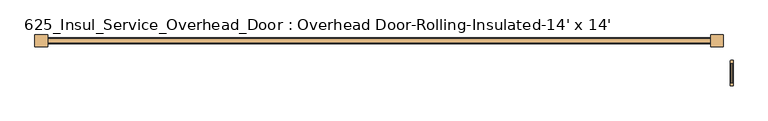
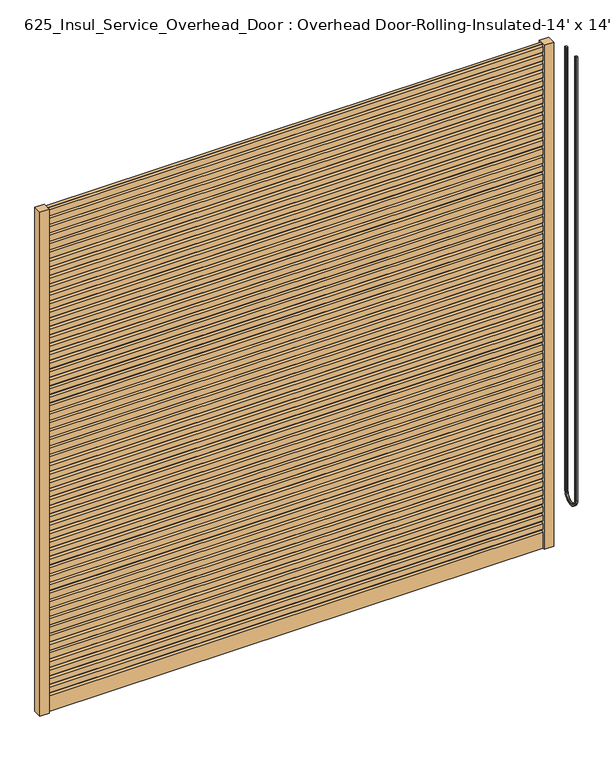
"""IFC4 building model written with IfcOpenShell, lengths in millimetres: door geometry, 625_Insul_Service_Overhead_Door : Overhead Door-Rolling-Insulated-14' x 14'."""

from ifc_helpers import new_model, si_unit, point, frame, origin, origin_with_axes, place, context, project, spatial, polyline, circle_curve, ellipse_curve, trimmed, outline, extrude, source, transform, mapped, element, save
from ifc_brep_helpers import plane_surface, cylinder_surface, revolved_surface, advanced_brep


def door_625_insul_service_overhead_door_overhead_door_rolling_83a25e8f(model_context):
    return source(origin(), model_context, "Body", "SolidModel", [
        advanced_brep(
        [(3792.5375, -1223.6880768, 4267.2), (3790.95, -1222.1005768, 4267.2), (3778.25, -1222.1005768, 4267.2), (3776.6625, -1223.6880768, 4267.2), (3776.6625, -1236.3880768, 4267.2), (3778.25, -1237.9755768, 4267.2), (3790.95, -1237.9755768, 4267.2), (3792.5375, -1236.3880768, 4267.2), (3792.5375, -1223.6880768, 508.0), (3790.95, -1222.1005768, 508.0), (3778.25, -1222.1005768, 508.0), (3776.6625, -1223.6880768, 508.0), (3776.6625, -1099.8630768, 508.0), (3776.6625, -1099.8630768, 4267.2), (3776.6625, -1087.1630768, 4267.2), (3776.6625, -1087.1630768, 508.0), (3776.6625, -1236.3880768, 508.0), (3778.25, -1237.9755768, 508.0), (3790.95, -1237.9755768, 508.0), (3792.5375, -1236.3880768, 508.0), (3792.5375, -1087.1630768, 508.0), (3792.5375, -1087.1630768, 4267.2), (3792.5375, -1099.8630768, 4267.2), (3792.5375, -1099.8630768, 508.0), (3790.95, -1101.4505768, 508.0), (3778.25, -1101.4505768, 508.0), (3778.25, -1085.5755768, 508.0), (3790.95, -1085.5755768, 508.0), (3790.95, -1085.5755768, 4267.2), (3778.25, -1085.5755768, 4267.2), (3778.25, -1101.4505768, 4267.2), (3790.95, -1101.4505768, 4267.2)],
        [
            (0, 1, circle_curve(frame((3790.95, -1223.6880768, 4267.2), z_axis=(0.0, 0.0, 1.0), x_axis=(0.0, -1.0, 0.0)), 1.5875)),
            (1, 2),
            (2, 3, circle_curve(frame((3778.25, -1223.6880768, 4267.2), z_axis=(0.0, 0.0, 1.0), x_axis=(0.0, -1.0, 0.0)), 1.5875)),
            (3, 4),
            (4, 5, circle_curve(frame((3778.25, -1236.3880768, 4267.2), z_axis=(0.0, 0.0, 1.0), x_axis=(0.0, -1.0, 0.0)), 1.5875)),
            (5, 6),
            (6, 7, circle_curve(frame((3790.95, -1236.3880768, 4267.2), z_axis=(0.0, 0.0, 1.0), x_axis=(0.0, -1.0, 0.0)), 1.5875)),
            (7, 0),
            (0, 8),
            (8, 9, circle_curve(frame((3790.95, -1223.6880768, 508.0), z_axis=(0.0, 0.0, 1.0), x_axis=(0.0, -1.0, 0.0)), 1.5875)),
            (9, 1),
            (9, 10),
            (10, 2),
            (10, 11, circle_curve(frame((3778.25, -1223.6880768, 508.0), z_axis=(0.0, 0.0, 1.0), x_axis=(0.0, -1.0, 0.0)), 1.5875)),
            (11, 3),
            (11, 12, circle_curve(frame((3776.6625, -1161.7755768, 508.0), z_axis=(1.0, 0.0, 0.0), x_axis=(0.0, -1.0, 0.0)), 61.9125)),
            (12, 13),
            (13, 14),
            (14, 15),
            (15, 16, circle_curve(frame((3776.6625, -1161.7755768, 508.0), z_axis=(-1.0, 0.0, 0.0), x_axis=(0.0, -1.0, 0.0)), 74.6125)),
            (16, 4),
            (16, 17, circle_curve(frame((3778.25, -1236.3880768, 508.0), z_axis=(0.0, 0.0, 1.0), x_axis=(0.0, -1.0, 0.0)), 1.5875)),
            (17, 5),
            (17, 18),
            (18, 6),
            (18, 19, circle_curve(frame((3790.95, -1236.3880768, 508.0), z_axis=(0.0, 0.0, 1.0), x_axis=(0.0, -1.0, 0.0)), 1.5875)),
            (19, 7),
            (19, 20, circle_curve(frame((3792.5375, -1161.7755768, 508.0), z_axis=(1.0, 0.0, 0.0), x_axis=(0.0, -1.0, 0.0)), 74.6125)),
            (20, 21),
            (21, 22),
            (22, 23),
            (23, 8, circle_curve(frame((3792.5375, -1161.7755768, 508.0), z_axis=(-1.0, 0.0, 0.0), x_axis=(0.0, -1.0, 0.0)), 61.9125)),
            (24, 9, circle_curve(frame((3790.95, -1161.7755768, 508.0), z_axis=(-1.0, 0.0, 0.0), x_axis=(0.0, -1.0, 0.0)), 60.325)),
            (23, 24, circle_curve(frame((3790.95, -1099.8630768, 508.0), z_axis=(0.0, 0.0, -1.0), x_axis=(0.0, 1.0, 0.0)), 1.5875)),
            (25, 10, circle_curve(frame((3778.25, -1161.7755768, 508.0), z_axis=(-1.0, 0.0, 0.0), x_axis=(0.0, -1.0, 0.0)), 60.325)),
            (24, 25),
            (25, 12, circle_curve(frame((3778.25, -1099.8630768, 508.0), z_axis=(0.0, 0.0, -1.0), x_axis=(0.0, 1.0, 0.0)), 1.5875)),
            (26, 17, circle_curve(frame((3778.25, -1161.7755768, 508.0), z_axis=(-1.0, 0.0, 0.0), x_axis=(0.0, -1.0, 0.0)), 76.2)),
            (15, 26, circle_curve(frame((3778.25, -1087.1630768, 508.0), z_axis=(0.0, 0.0, -1.0), x_axis=(0.0, 1.0, 0.0)), 1.5875)),
            (27, 18, circle_curve(frame((3790.95, -1161.7755768, 508.0), z_axis=(-1.0, 0.0, 0.0), x_axis=(0.0, -1.0, 0.0)), 76.2)),
            (26, 27),
            (27, 20, circle_curve(frame((3790.95, -1087.1630768, 508.0), z_axis=(0.0, 0.0, -1.0), x_axis=(0.0, 1.0, 0.0)), 1.5875)),
            (21, 28, circle_curve(frame((3790.95, -1087.1630768, 4267.2), z_axis=(0.0, 0.0, 1.0), x_axis=(0.0, 1.0, 0.0)), 1.5875)),
            (28, 29),
            (29, 14, circle_curve(frame((3778.25, -1087.1630768, 4267.2), z_axis=(0.0, 0.0, 1.0), x_axis=(0.0, 1.0, 0.0)), 1.5875)),
            (13, 30, circle_curve(frame((3778.25, -1099.8630768, 4267.2), z_axis=(0.0, 0.0, 1.0), x_axis=(0.0, 1.0, 0.0)), 1.5875)),
            (30, 31),
            (31, 22, circle_curve(frame((3790.95, -1099.8630768, 4267.2), z_axis=(0.0, 0.0, 1.0), x_axis=(0.0, 1.0, 0.0)), 1.5875)),
            (31, 24),
            (30, 25),
            (29, 26),
            (28, 27),
        ],
        [
            plane_surface(frame((3784.6, -1237.9755768, 4267.2), z_axis=(0.0, 0.0, 1.0), x_axis=(-1.0, 0.0, 0.0))),
            cylinder_surface(frame((3790.95, -1223.6880768, 4267.2), z_axis=(0.0, 0.0, 1.0), x_axis=(0.0, -1.0, 0.0)), 1.5875),
            plane_surface(frame((3790.95, -1222.1005768, 4267.2), z_axis=(0.0, 1.0, 0.0), x_axis=(0.0, 0.0, -1.0))),
            cylinder_surface(frame((3778.25, -1223.6880768, 4267.2), z_axis=(0.0, 0.0, 1.0), x_axis=(0.0, -1.0, 0.0)), 1.5875),
            plane_surface(frame((3776.6625, -1223.6880768, 4267.2), z_axis=(-1.0, 0.0, 0.0), x_axis=(0.0, 0.0, -1.0))),
            cylinder_surface(frame((3778.25, -1236.3880768, 4267.2), z_axis=(0.0, 0.0, 1.0), x_axis=(0.0, -1.0, 0.0)), 1.5875),
            plane_surface(frame((3778.25, -1237.9755768, 4267.2), z_axis=(0.0, -1.0, 0.0), x_axis=(0.0, 0.0, -1.0))),
            cylinder_surface(frame((3790.95, -1236.3880768, 4267.2), z_axis=(0.0, 0.0, 1.0), x_axis=(0.0, -1.0, 0.0)), 1.5875),
            plane_surface(frame((3792.5375, -1236.3880768, 4267.2), z_axis=(1.0, 0.0, 0.0), x_axis=(0.0, 0.0, -1.0))),
            revolved_surface(trimmed(ellipse_curve(frame((3790.95, -1223.6880768, 508.0), z_axis=(0.0, 0.0, 1.0), x_axis=(0.0, -1.0, 0.0)), 1.5875, 1.5875), [point((3792.5375, -1223.6880768, 508.0))], [point((3790.95, -1222.1005768, 508.0))], True, "CARTESIAN"), (3784.6, -1161.7755768, 508.0), (1.0, 0.0, 0.0)),
            revolved_surface(polyline([(3790.95, -1222.1005768, 508.0), (3778.25, -1222.1005768, 508.0)]), (3784.6, -1161.7755768, 508.0), (1.0, 0.0, 0.0)),
            revolved_surface(trimmed(ellipse_curve(frame((3778.25, -1223.6880768, 508.0), z_axis=(0.0, 0.0, 1.0), x_axis=(0.0, -1.0, 0.0)), 1.5875, 1.5875), [point((3778.25, -1222.1005768, 508.0))], [point((3776.6625, -1223.6880768, 508.0))], True, "CARTESIAN"), (3784.6, -1161.7755768, 508.0), (1.0, 0.0, 0.0)),
            revolved_surface(trimmed(ellipse_curve(frame((3778.25, -1236.3880768, 508.0), z_axis=(0.0, 0.0, 1.0), x_axis=(0.0, -1.0, 0.0)), 1.5875, 1.5875), [point((3776.6625, -1236.3880768, 508.0))], [point((3778.25, -1237.9755768, 508.0))], True, "CARTESIAN"), (3784.6, -1161.7755768, 508.0), (1.0, 0.0, 0.0)),
            cylinder_surface(frame((3784.6, -1161.7755768, 508.0), z_axis=(1.0, 0.0, 0.0), x_axis=(0.0, -1.0, 0.0)), 76.2),
            revolved_surface(trimmed(ellipse_curve(frame((3790.95, -1236.3880768, 508.0), z_axis=(0.0, 0.0, 1.0), x_axis=(0.0, -1.0, 0.0)), 1.5875, 1.5875), [point((3790.95, -1237.9755768, 508.0))], [point((3792.5375, -1236.3880768, 508.0))], True, "CARTESIAN"), (3784.6, -1161.7755768, 508.0), (1.0, 0.0, 0.0)),
            plane_surface(frame((3784.6, -1085.5755768, 4267.2), z_axis=(0.0, 0.0, 1.0), x_axis=(-1.0, 0.0, 0.0))),
            cylinder_surface(frame((3790.95, -1099.8630768, 508.0), z_axis=(0.0, 0.0, -1.0), x_axis=(0.0, 1.0, 0.0)), 1.5875),
            plane_surface(frame((3790.95, -1101.4505768, 508.0), z_axis=(0.0, -1.0, 0.0), x_axis=(0.0, 0.0, 1.0))),
            cylinder_surface(frame((3778.25, -1099.8630768, 508.0), z_axis=(0.0, 0.0, -1.0), x_axis=(0.0, 1.0, 0.0)), 1.5875),
            cylinder_surface(frame((3778.25, -1087.1630768, 508.0), z_axis=(0.0, 0.0, -1.0), x_axis=(0.0, 1.0, 0.0)), 1.5875),
            plane_surface(frame((3778.25, -1085.5755768, 508.0), z_axis=(0.0, 1.0, 0.0), x_axis=(0.0, 0.0, 1.0))),
            cylinder_surface(frame((3790.95, -1087.1630768, 508.0), z_axis=(0.0, 0.0, -1.0), x_axis=(0.0, 1.0, 0.0)), 1.5875),
        ],
        [
            (0, [[1, 2, 3, 4, 5, 6, 7, 8]]),
            (1, [[-1, 9, 10, 11]]),
            (2, [[-2, -11, 12, 13]]),
            (3, [[-3, -13, 14, 15]]),
            (4, [[-4, -15, 16, 17, 18, 19, 20, 21]]),
            (5, [[-5, -21, 22, 23]]),
            (6, [[-6, -23, 24, 25]]),
            (7, [[-7, -25, 26, 27]]),
            (8, [[-8, -27, 28, 29, 30, 31, 32, -9]]),
            (9, [[33, -10, -32, 34]]),
            (10, [[35, -12, -33, 36]]),
            (11, [[-16, -14, -35, 37]]),
            (12, [[38, -22, -20, 39]]),
            (13, [[40, -24, -38, 41]]),
            (14, [[-28, -26, -40, 42]]),
            (15, [[-30, 43, 44, 45, -18, 46, 47, 48]]),
            (16, [[-34, -31, -48, 49]]),
            (17, [[-36, -49, -47, 50]]),
            (18, [[-37, -50, -46, -17]]),
            (19, [[-39, -19, -45, 51]]),
            (20, [[-41, -51, -44, 52]]),
            (21, [[-42, -52, -43, -29]]),
        ],
    ),
        extrude(outline(polyline([(-381.0, -933.2031809), (-304.8, -933.2031809), (-304.8, -1003.0531809), (-381.0, -1003.0531809), (-381.0, -933.2031809)])), origin_with_axes(), (0.0, 0.0, 1.0), 4267.2),
        extrude(outline(polyline([(3733.8, -933.2031809), (3733.8, -1003.0531809), (3657.6, -1003.0531809), (3657.6, -933.2031809), (3733.8, -933.2031809)])), origin_with_axes(), (0.0, 0.0, 1.0), 4267.2),
        extrude(outline(polyline([(-962.3771667, 145.6494217), (-950.5940662, 133.761838), (-950.5940662, 0.0), (-985.6622955, 0.0), (-985.6622955, 133.761838), (-973.879195, 145.6494217), (-985.6622955, 157.5370054), (-985.6622955, 205.6925895), (-973.879195, 217.5801731), (-985.6622955, 229.4677568), (-985.6622955, 277.6233409), (-973.879195, 289.5109246), (-985.6622955, 301.3985082), (-985.6622955, 349.5540924), (-973.6233995, 361.6997397), (-985.6622955, 373.8453871), (-985.6622955, 422.0009712), (-973.6233995, 434.1466186), (-985.6622955, 446.2922659), (-985.6622955, 494.44785), (-973.879195, 506.3354337), (-985.6622955, 518.2230174), (-985.6622955, 566.3786015), (-973.6233995, 578.5242489), (-985.6622955, 590.6698962), (-985.6622955, 638.8254803), (-973.879195, 650.713064), (-985.6622955, 662.6006477), (-985.6622955, 710.7562318), (-973.879195, 722.6438154), (-985.6622955, 734.5313991), (-985.6622955, 782.6869832), (-973.6233995, 794.8326306), (-985.6622955, 806.978278), (-985.6622955, 855.1338621), (-973.6233995, 867.2795094), (-985.6622955, 879.4251568), (-985.6622955, 927.5807409), (-973.879195, 939.4683246), (-985.6622955, 951.3559082), (-985.6622955, 999.5114924), (-973.6233995, 1011.6571397), (-985.6622955, 1023.8027871), (-985.6622955, 1071.9583712), (-973.879195, 1083.8459549), (-985.6622955, 1095.7335385), (-985.6622955, 1143.8891227), (-973.879195, 1155.7767063), (-985.6622955, 1167.66429), (-985.6622955, 1215.8198741), (-973.6233995, 1227.9655215), (-985.6622955, 1240.1111688), (-985.6622955, 1288.2667529), (-973.6233995, 1300.4124003), (-985.6622955, 1312.5580477), (-985.6622955, 1360.7136318), (-973.879195, 1372.6012154), (-985.6622955, 1384.4887991), (-985.6622955, 1432.6443832), (-973.6233995, 1444.7900306), (-985.6622955, 1456.935678), (-985.6622955, 1505.0912621), (-973.879195, 1516.9788457), (-985.6622955, 1528.8664294), (-985.6622955, 1577.0220135), (-973.879195, 1588.9095972), (-985.6622955, 1600.7971808), (-985.6622955, 1648.952765), (-973.6233995, 1661.0984123), (-985.6622955, 1673.2440597), (-985.6622955, 1721.3996438), (-973.6233995, 1733.5452912), (-985.6622955, 1745.6909385), (-985.6622955, 1793.8465227), (-973.879195, 1805.7341063), (-985.6622955, 1817.62169), (-985.6622955, 1865.7772741), (-973.6233995, 1877.9229215), (-985.6622955, 1890.0685688), (-985.6622955, 1938.2241529), (-973.879195, 1950.1117366), (-985.6622955, 1961.9993203), (-985.6622955, 2010.1549044), (-973.879195, 2022.0424881), (-985.6622955, 2033.9300717), (-985.6622955, 2082.0856558), (-973.6233995, 2094.2313032), (-985.6622955, 2106.3769506), (-985.6622955, 2154.5325347), (-973.6233995, 2166.678182), (-985.6622955, 2178.8238294), (-985.6622955, 2226.9794135), (-973.879195, 2238.8669972), (-985.6622955, 2250.7545808), (-985.6622955, 2298.910165), (-973.6233995, 2311.0558123), (-985.6622955, 2323.2014597), (-985.6622955, 2371.3570438), (-973.879195, 2383.2446275), (-985.6622955, 2395.1322111), (-985.6622955, 2443.2877953), (-973.879195, 2455.1753789), (-985.6622955, 2467.0629626), (-985.6622955, 2515.2185467), (-973.6233995, 2527.3641941), (-985.6622955, 2539.5098414), (-985.6622955, 2587.6654255), (-973.6233995, 2599.8110729), (-985.6622955, 2611.9567203), (-985.6622955, 2660.1123044), (-973.879195, 2671.9998881), (-985.6622955, 2683.8874717), (-985.6622955, 2732.0430558), (-973.6233995, 2744.1887032), (-985.6622955, 2756.3343506), (-985.6622955, 2804.4899347), (-973.879195, 2816.3775183), (-985.6622955, 2828.265102), (-985.6622955, 2876.4206861), (-973.879195, 2888.3082698), (-985.6622955, 2900.1958535), (-985.6622955, 2948.3514376), (-973.6233995, 2960.4970849), (-985.6622955, 2972.6427323), (-985.6622955, 3020.7983164), (-973.6233995, 3032.9439638), (-985.6622955, 3045.0896111), (-985.6622955, 3093.2451953), (-973.879195, 3105.1327789), (-985.6622955, 3117.0203626), (-985.6622955, 3165.1759467), (-973.6233995, 3177.3215941), (-985.6622955, 3189.4672414), (-985.6622955, 3237.6228255), (-973.879195, 3249.5104092), (-985.6622955, 3261.3979929), (-985.6622955, 3309.553577), (-973.879195, 3321.4411607), (-985.6622955, 3333.3287443), (-985.6622955, 3381.4843284), (-973.6233995, 3393.6299758), (-985.6622955, 3405.7756232), (-985.6622955, 3453.9312073), (-973.6233995, 3466.0768546), (-985.6622955, 3478.222502), (-985.6622955, 3526.3780861), (-973.879195, 3538.2656698), (-985.6622955, 3550.1532535), (-985.6622955, 3598.3088376), (-973.6233995, 3610.4544849), (-985.6622955, 3622.6001323), (-985.6622955, 3670.239589), (-973.879195, 3682.1271727), (-985.6622955, 3694.0147563), (-985.6622955, 3742.1703405), (-973.879195, 3754.0579241), (-985.6622955, 3765.9455078), (-985.6622955, 3814.1010919), (-973.6233995, 3826.2467393), (-985.6622955, 3838.3923866), (-985.6622955, 3886.5479708), (-973.6233995, 3898.6936181), (-985.6622955, 3910.8392655), (-985.6622955, 3958.9948496), (-973.879195, 3970.8824333), (-985.6622955, 3982.7700169), (-985.6622955, 4030.925601), (-973.6233995, 4043.0712484), (-985.6622955, 4055.2168958), (-985.6622955, 4103.3724799), (-973.879195, 4115.2600635), (-985.6622955, 4127.1476472), (-985.6622955, 4175.3032313), (-973.879195, 4187.190815), (-985.6622955, 4199.0783987), (-985.6622955, 4247.2339828), (-973.6233995, 4259.3796301), (-981.3750341, 4267.2), (-954.8813277, 4267.2), (-962.6329622, 4259.3796301), (-950.5940662, 4247.2339828), (-950.5940662, 4199.0783987), (-962.3771667, 4187.190815), (-950.5940662, 4175.3032313), (-950.5940662, 4127.1476472), (-962.3771667, 4115.2600635), (-950.5940662, 4103.3724799), (-950.5940662, 4055.2168958), (-962.6329622, 4043.0712484), (-950.5940662, 4030.925601), (-950.5940662, 3982.7700169), (-962.3771667, 3970.8824333), (-950.5940662, 3958.9948496), (-950.5940662, 3910.8392655), (-962.6329622, 3898.6936181), (-950.5940662, 3886.5479708), (-950.5940662, 3838.3923866), (-962.6329622, 3826.2467393), (-950.5940662, 3814.1010919), (-950.5940662, 3765.9455078), (-962.3771667, 3754.0579241), (-950.5940662, 3742.1703405), (-950.5940662, 3694.0147563), (-962.3771667, 3682.1271727), (-950.5940662, 3670.239589), (-950.5940662, 3622.6001323), (-962.6329622, 3610.4544849), (-950.5940662, 3598.3088376), (-950.5940662, 3550.1532535), (-962.3771667, 3538.2656698), (-950.5940662, 3526.3780861), (-950.5940662, 3478.222502), (-962.6329622, 3466.0768546), (-950.5940662, 3453.9312073), (-950.5940662, 3405.7756232), (-962.6329622, 3393.6299758), (-950.5940662, 3381.4843284), (-950.5940662, 3333.3287443), (-962.3771667, 3321.4411607), (-950.5940662, 3309.553577), (-950.5940662, 3261.3979929), (-962.3771667, 3249.5104092), (-950.5940662, 3237.6228255), (-950.5940662, 3189.4672414), (-962.6329622, 3177.3215941), (-950.5940662, 3165.1759467), (-950.5940662, 3117.0203626), (-962.3771667, 3105.1327789), (-950.5940662, 3093.2451953), (-950.5940662, 3045.0896111), (-962.6329622, 3032.9439638), (-950.5940662, 3020.7983164), (-950.5940662, 2972.6427323), (-962.6329622, 2960.4970849), (-950.5940662, 2948.3514376), (-950.5940662, 2900.1958535), (-962.3771667, 2888.3082698), (-950.5940662, 2876.4206861), (-950.5940662, 2828.265102), (-962.3771667, 2816.3775183), (-950.5940662, 2804.4899347), (-950.5940662, 2756.3343506), (-962.6329622, 2744.1887032), (-950.5940662, 2732.0430558), (-950.5940662, 2683.8874717), (-962.3771667, 2671.9998881), (-950.5940662, 2660.1123044), (-950.5940662, 2611.9567203), (-962.6329622, 2599.8110729), (-950.5940662, 2587.6654255), (-950.5940662, 2539.5098414), (-962.6329622, 2527.3641941), (-950.5940662, 2515.2185467), (-950.5940662, 2467.0629626), (-962.3771667, 2455.1753789), (-950.5940662, 2443.2877953), (-950.5940662, 2395.1322111), (-962.3771667, 2383.2446275), (-950.5940662, 2371.3570438), (-950.5940662, 2323.2014597), (-962.6329622, 2311.0558123), (-950.5940662, 2298.910165), (-950.5940662, 2250.7545808), (-962.3771667, 2238.8669972), (-950.5940662, 2226.9794135), (-950.5940662, 2178.8238294), (-962.6329622, 2166.678182), (-950.5940662, 2154.5325347), (-950.5940662, 2106.3769506), (-962.6329622, 2094.2313032), (-950.5940662, 2082.0856558), (-950.5940662, 2033.9300717), (-962.3771667, 2022.0424881), (-950.5940662, 2010.1549044), (-950.5940662, 1961.9993203), (-962.3771667, 1950.1117366), (-950.5940662, 1938.2241529), (-950.5940662, 1890.0685688), (-962.6329622, 1877.9229215), (-950.5940662, 1865.7772741), (-950.5940662, 1817.62169), (-962.3771667, 1805.7341063), (-950.5940662, 1793.8465227), (-950.5940662, 1745.6909385), (-962.6329622, 1733.5452912), (-950.5940662, 1721.3996438), (-950.5940662, 1673.2440597), (-962.6329622, 1661.0984123), (-950.5940662, 1648.952765), (-950.5940662, 1600.7971808), (-962.3771667, 1588.9095972), (-950.5940662, 1577.0220135), (-950.5940662, 1528.8664294), (-962.3771667, 1516.9788457), (-950.5940662, 1505.0912621), (-950.5940662, 1456.935678), (-962.6329622, 1444.7900306), (-950.5940662, 1432.6443832), (-950.5940662, 1384.4887991), (-962.3771667, 1372.6012154), (-950.5940662, 1360.7136318), (-950.5940662, 1312.5580477), (-962.6329622, 1300.4124003), (-950.5940662, 1288.2667529), (-950.5940662, 1240.1111688), (-962.6329622, 1227.9655215), (-950.5940662, 1215.8198741), (-950.5940662, 1167.66429), (-962.3771667, 1155.7767063), (-950.5940662, 1143.8891227), (-950.5940662, 1095.7335385), (-962.3771667, 1083.8459549), (-950.5940662, 1071.9583712), (-950.5940662, 1023.8027871), (-962.6329622, 1011.6571397), (-950.5940662, 999.5114924), (-950.5940662, 951.3559082), (-962.3771667, 939.4683246), (-950.5940662, 927.5807409), (-950.5940662, 879.4251568), (-962.6329622, 867.2795094), (-950.5940662, 855.1338621), (-950.5940662, 806.978278), (-962.6329622, 794.8326306), (-950.5940662, 782.6869832), (-950.5940662, 734.5313991), (-962.3771667, 722.6438154), (-950.5940662, 710.7562318), (-950.5940662, 662.6006477), (-962.3771667, 650.713064), (-950.5940662, 638.8254803), (-950.5940662, 590.6698962), (-962.6329622, 578.5242489), (-950.5940662, 566.3786015), (-950.5940662, 518.2230174), (-962.3771667, 506.3354337), (-950.5940662, 494.44785), (-950.5940662, 446.2922659), (-962.6329622, 434.1466186), (-950.5940662, 422.0009712), (-950.5940662, 373.8453871), (-962.6329622, 361.6997397), (-950.5940662, 349.5540924), (-950.5940662, 301.3985082), (-962.3771667, 289.5109246), (-950.5940662, 277.6233409), (-950.5940662, 229.4677568), (-962.3771667, 217.5801731), (-950.5940662, 205.6925895), (-950.5940662, 157.5370054), (-962.3771667, 145.6494217)])), frame((-304.8, 0.0, 0.0), z_axis=(1.0, 0.0, 0.0), x_axis=(0.0, 1.0, 0.0)), (0.0, 0.0, 1.0), 3962.4),
    ])


if __name__ == "__main__":
    model = new_model("IFC4")
    model_context = context("Model", 3, world=origin())
    ifc_project = project(units=[si_unit("LENGTHUNIT", "METRE", prefix="MILLI")], contexts=[model_context])
    site = spatial("IfcSite", under=ifc_project)
    building = spatial("IfcBuilding", under=site)
    placement = place(None, origin())
    door_625_insul_service_overhead_door_overhead_door_rolling_shape = door_625_insul_service_overhead_door_overhead_door_rolling_83a25e8f(model_context)
    element("IfcDoor", 1, ObjectType="625_Insul_Service_Overhead_Door : Overhead Door-Rolling-Insulated-14' x 14'", at=placement, inside=building, context=model_context, shape_type="MappedRepresentation", body=[
        mapped(door_625_insul_service_overhead_door_overhead_door_rolling_shape, transform((0.0, 0.0, 0.0), x_axis=(1.0, 0.0, 0.0), y_axis=(0.0, 1.0, 0.0), z_axis=(0.0, 0.0, 1.0))),
    ])
    save(model, "model.ifc")
